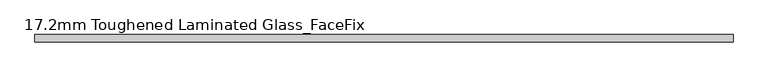
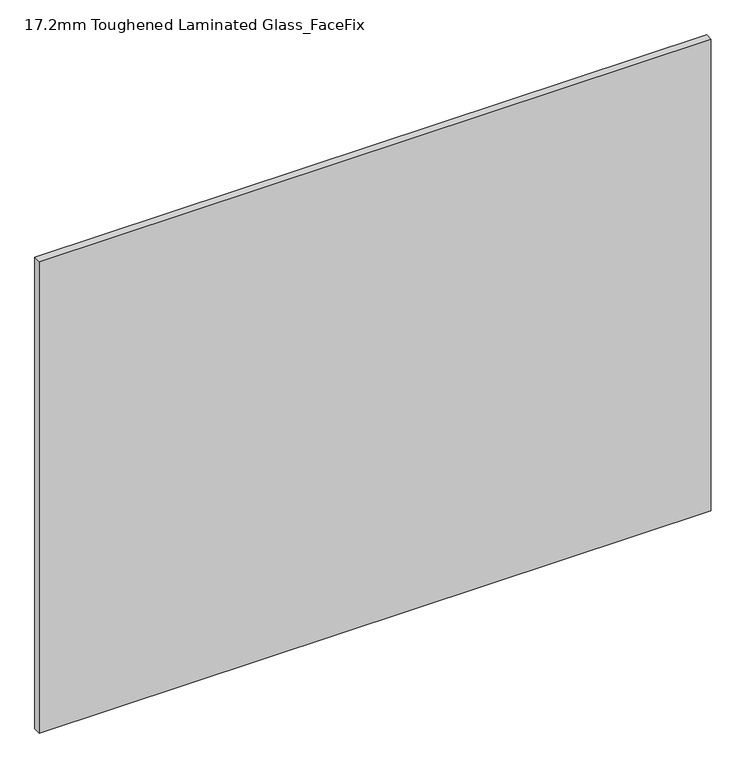
"""IFC4 building model written with IfcOpenShell, lengths in millimetres: plate geometry, 17.2mm Toughened Laminated Glass_FaceFix."""

from ifc_helpers import new_model, si_unit, origin, origin_with_axes, place, context, project, spatial, polyline, outline, extrude, source, transform, mapped, element, save


def plate_17_2mm_toughened_laminated_glass_facefix_a4a6bbba(model_context):
    return source(origin(), model_context, "Body", "SweptSolid", [
        extrude(outline(polyline([(795.0000001, -23.4), (795.0000001, -40.6), (-795.0000001, -40.6), (-795.0000001, -23.4), (795.0000001, -23.4)])), origin_with_axes(), (0.0, 0.0, 1.0), 1179.0),
    ])


if __name__ == "__main__":
    model = new_model("IFC4")
    model_context = context("Model", 3, world=origin())
    ifc_project = project(units=[si_unit("LENGTHUNIT", "METRE", prefix="MILLI")], contexts=[model_context])
    site = spatial("IfcSite", under=ifc_project)
    building = spatial("IfcBuilding", under=site)
    placement = place(None, origin())
    plate_17_2mm_toughened_laminated_glass_facefix_shape = plate_17_2mm_toughened_laminated_glass_facefix_a4a6bbba(model_context)
    element("IfcPlate", 1, ObjectType="17.2mm Toughened Laminated Glass_FaceFix", at=placement, inside=building, context=model_context, shape_type="MappedRepresentation", body=[
        mapped(plate_17_2mm_toughened_laminated_glass_facefix_shape, transform((0.0, 0.0, 0.0), x_axis=(1.0, 0.0, 0.0), y_axis=(0.0, 1.0, 0.0), z_axis=(0.0, 0.0, 1.0))),
    ])
    save(model, "model.ifc")
